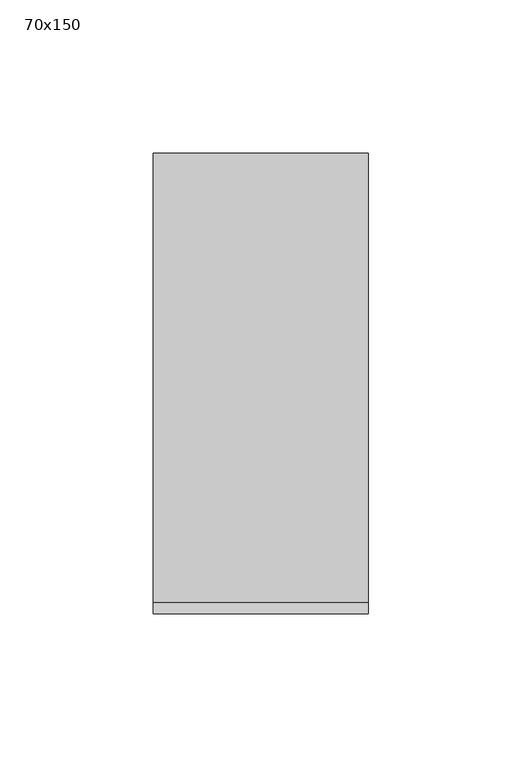
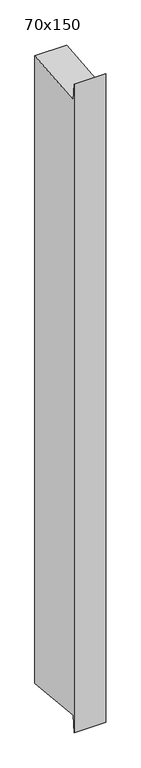
"""IFC4 building model written with IfcOpenShell, lengths in millimetres: member geometry, 70x150."""

from ifc_helpers import new_model, si_unit, frame, origin, place, context, project, spatial, polyline, outline, extrude, source, transform, mapped, element, save


def member_70x150_03cda4c0(model_context):
    return source(origin(), model_context, "Body", "SweptSolid", [
        extrude(outline(polyline([(-75.0, 31.4130792), (-71.3175368, -6.9977255), (75.0, 7.0298105), (75.0, -1463.9568113), (-71.3175368, -1449.9292753), (-75.0, -1488.34008), (-75.0, 31.4130792)])), frame((-70.0, 0.0, 0.0), z_axis=(1.0, 0.0, 0.0), x_axis=(0.0, 1.0, 0.0)), (0.0, 0.0, 1.0), 70.0),
    ])


if __name__ == "__main__":
    model = new_model("IFC4")
    model_context = context("Model", 3, world=origin())
    ifc_project = project(units=[si_unit("LENGTHUNIT", "METRE", prefix="MILLI")], contexts=[model_context])
    site = spatial("IfcSite", under=ifc_project)
    building = spatial("IfcBuilding", under=site)
    placement = place(None, origin())
    member_70x150_shape = member_70x150_03cda4c0(model_context)
    element("IfcMember", 1, ObjectType="70x150", at=placement, inside=building, context=model_context, shape_type="MappedRepresentation", body=[
        mapped(member_70x150_shape, transform((0.0, 0.0, 0.0), x_axis=(1.0, 0.0, 0.0), y_axis=(0.0, 1.0, 0.0), z_axis=(0.0, 0.0, 1.0))),
    ])
    save(model, "model.ifc")
